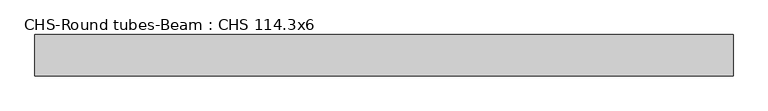
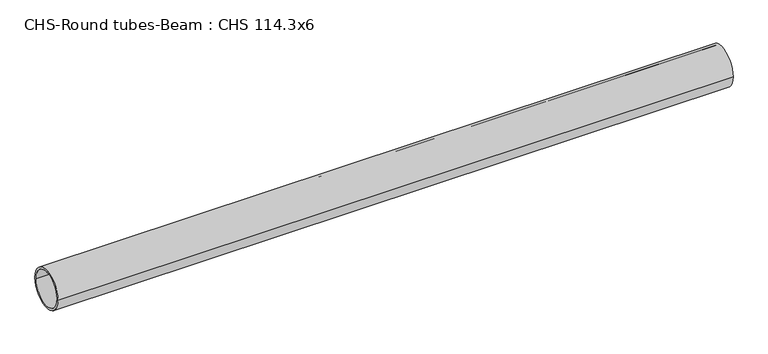
"""IFC4 building model written with IfcOpenShell, lengths in millimetres: beam geometry, CHS-Round tubes-Beam : CHS 114.3x6."""

import ifcopenshell
import ifcopenshell.guid

model = None  # the IFC model being written
_history = None  # IfcOwnerHistory: only IFC2X3 demands one
_inside = {}  # id of a spatial element -> (the spatial element, [elements in it])
_under = {}  # id of a project, library or spatial element -> (it, [spatial elements below it])
_declared = {}  # id of a project -> (the project, [libraries it declares])
_typed = {}  # id of a type object -> (the type object, [elements of that type])
_made_of = {}  # id of a material, layer set ... -> (it, [elements and type objects made of it])


def new_model(schema):
    """Start an empty IFC model of exactly this schema.

    Asked for "IFC4X3", IfcOpenShell would pick the latest addendum, in which some entities
    have other attributes; the version numbers below select the first issue.
    IFC2X3 requires an IfcOwnerHistory on every rooted entity: one is made here for all.
    """
    global model, _history
    if schema == "IFC4X3":
        model = ifcopenshell.file(schema_version=(4, 3, 0, 0))
    else:
        model = ifcopenshell.file(schema=schema)
    _inside.clear()
    _under.clear()
    _declared.clear()
    _typed.clear()
    _made_of.clear()
    _history = None
    if model.schema == "IFC2X3":
        org = make("IfcOrganization", Name="unknown")
        user = make(
            "IfcPersonAndOrganization",
            ThePerson=make("IfcPerson", FamilyName="unknown"),
            TheOrganization=org,
        )
        app = make(
            "IfcApplication",
            ApplicationDeveloper=org,
            Version="unknown",
            ApplicationFullName="unknown",
            ApplicationIdentifier="unknown",
        )
        _history = make(
            "IfcOwnerHistory",
            OwningUser=user,
            OwningApplication=app,
            ChangeAction="ADDED",
            CreationDate=0,
        )
    return model


def make(cls, **values):
    """One entity of the class cls with the attributes given. An attribute that is None is left unset."""
    return model.create_entity(
        cls, **{name: value for name, value in values.items() if value is not None}
    )


def rooted(cls, **values):
    """An entity with a GlobalId (a new one), such as an element, a storey or a relation."""
    return make(cls, GlobalId=ifcopenshell.guid.new(), OwnerHistory=_history, **values)


def si_unit(unit_type, name, prefix=None):
    """IfcSIUnit, for example si_unit("LENGTHUNIT", "METRE", prefix="MILLI")."""
    return make("IfcSIUnit", UnitType=unit_type, Prefix=prefix, Name=name)


def assignment(units):
    """IfcUnitAssignment: the units of a project."""
    return None if units is None else make("IfcUnitAssignment", Units=units)


def point(xyz):
    """IfcCartesianPoint."""
    return None if xyz is None else make("IfcCartesianPoint", Coordinates=xyz)


def direction(xyz):
    """IfcDirection."""
    return None if xyz is None else make("IfcDirection", DirectionRatios=xyz)


def frame(location, z_axis=None, x_axis=None):
    """IfcAxis2Placement3D, a coordinate frame: its origin and axes. An axis left out is left unset."""
    return make(
        "IfcAxis2Placement3D",
        Location=point(location),
        Axis=direction(z_axis),
        RefDirection=direction(x_axis),
    )


def frame_2d(location, x_axis=None):
    """IfcAxis2Placement2D, a coordinate frame in the plane: its origin and x axis."""
    return make(
        "IfcAxis2Placement2D", Location=point(location), RefDirection=direction(x_axis)
    )


def origin():
    """The frame at (0, 0, 0) with its axes left unset."""
    return frame((0.0, 0.0, 0.0))


def origin_2d():
    """The frame at (0, 0) in the plane with its x axis left unset."""
    return frame_2d((0.0, 0.0))


def place(relative_to, where):
    """IfcLocalPlacement: puts the frame where relative to a parent placement (None: the world)."""
    return make(
        "IfcLocalPlacement", PlacementRelTo=relative_to, RelativePlacement=where
    )


def context(
    kind, dimensions, precision=None, world=None, true_north=None, identifier=None
):
    """IfcGeometricRepresentationContext, for example the 3D "Model" context."""
    return make(
        "IfcGeometricRepresentationContext",
        ContextIdentifier=identifier,
        ContextType=kind,
        CoordinateSpaceDimension=dimensions,
        Precision=precision,
        WorldCoordinateSystem=world,
        TrueNorth=true_north,
    )


def project(units=None, contexts=None):
    """IfcProject with its units and contexts."""
    return rooted(
        "IfcProject",
        Name="project",
        RepresentationContexts=contexts,
        UnitsInContext=assignment(units),
    )


def spatial(cls, under=None, at=None, **own):
    """A site, building, storey or space (cls), placed at a placement, below another one or the project."""
    s = rooted(cls, ObjectPlacement=at, **own)
    if under is not None:
        _under.setdefault(under.id(), (under, []))[1].append(s)
    return s


def circle_curve(where, radius):
    """IfcCircle in the frame where."""
    return make("IfcCircle", Position=where, Radius=radius)


def trimmed(basis, trim1, trim2, sense, master):
    """IfcTrimmedCurve: the piece of a basis curve between two trims."""
    return make(
        "IfcTrimmedCurve",
        BasisCurve=basis,
        Trim1=trim1,
        Trim2=trim2,
        SenseAgreement=sense,
        MasterRepresentation=master,
    )


def segment(curve, same_sense, transition):
    """IfcCompositeCurveSegment."""
    return make(
        "IfcCompositeCurveSegment",
        Transition=transition,
        SameSense=same_sense,
        ParentCurve=curve,
    )


def composite_curve(segments, self_intersect=None):
    """IfcCompositeCurve: segments joined end to end."""
    return make("IfcCompositeCurve", Segments=segments, SelfIntersect=self_intersect)


def outline(outer, holes=None, kind="AREA"):
    """IfcArbitraryClosedProfileDef: a profile drawn as a closed curve; with holes, ...WithVoids."""
    if holes is None:
        return make("IfcArbitraryClosedProfileDef", ProfileType=kind, OuterCurve=outer)
    return make(
        "IfcArbitraryProfileDefWithVoids",
        ProfileType=kind,
        OuterCurve=outer,
        InnerCurves=holes,
    )


def extrude(swept, where, along, depth):
    """IfcExtrudedAreaSolid: the profile swept, set in the frame where, extruded along a direction by depth."""
    return make(
        "IfcExtrudedAreaSolid",
        SweptArea=swept,
        Position=where,
        ExtrudedDirection=direction(along),
        Depth=depth,
    )


def shape(context_of_items, identifier, shape_type, items):
    """IfcShapeRepresentation: the items that make up one representation, for example the "Body"."""
    return make(
        "IfcShapeRepresentation",
        ContextOfItems=context_of_items,
        RepresentationIdentifier=identifier,
        RepresentationType=shape_type,
        Items=items,
    )


def source(mapping_origin, context_of_items, identifier, shape_type, items):
    """IfcRepresentationMap: a shape defined once, which mapped items show again and again."""
    return make(
        "IfcRepresentationMap",
        MappingOrigin=mapping_origin,
        MappedRepresentation=shape(context_of_items, identifier, shape_type, items),
    )


def transform(
    local_origin,
    x_axis=None,
    y_axis=None,
    z_axis=None,
    scale=None,
    scale2=None,
    scale3=None,
    uniform=True,
):
    """IfcCartesianTransformationOperator3D, or its non-uniform kind. x_axis, y_axis, z_axis: its Axis1, 2, 3."""
    if uniform:
        return make(
            "IfcCartesianTransformationOperator3D",
            Axis1=direction(x_axis),
            Axis2=direction(y_axis),
            LocalOrigin=point(local_origin),
            Scale=scale,
            Axis3=direction(z_axis),
        )
    return make(
        "IfcCartesianTransformationOperator3DnonUniform",
        Axis1=direction(x_axis),
        Axis2=direction(y_axis),
        LocalOrigin=point(local_origin),
        Scale=scale,
        Axis3=direction(z_axis),
        Scale2=scale2,
        Scale3=scale3,
    )


def mapped(mapping_source, mapping_target):
    """IfcMappedItem: shows the shape of a source again, moved by a transform."""
    return make(
        "IfcMappedItem", MappingSource=mapping_source, MappingTarget=mapping_target
    )


def made_of(thing, what):
    """Note that an element or type object is made of a material, layer set ...; save() writes the relation."""
    if what is not None:
        _made_of.setdefault(what.id(), (what, []))[1].append(thing)
    return thing


def element(
    cls,
    number,
    at=None,
    inside=None,
    cuts=None,
    type_object=None,
    material=None,
    context=None,
    identifier="Body",
    shape_type=None,
    held_by="IfcProductDefinitionShape",
    body=None,
    shapes=None,
    **own,
):
    """One element of the class cls, such as IfcWall. Its Tag is "e" and its number.

    at: its placement. inside: the storey or other place that contains it. cuts: it is an
    opening in that element (IfcRelVoidsElement). A single representation is given by context,
    identifier, shape_type and body (its items); several are given by shapes. held_by: the class
    of the entity that holds the representations. save() writes the other relations.
    """
    e = rooted(cls, Tag="e%d" % number, ObjectPlacement=at, **own)
    if body is not None:
        shapes = [shape(context, identifier, shape_type, body)]
    if shapes is not None:
        e.Representation = make(held_by, Representations=shapes)
    if inside is not None:
        _inside.setdefault(inside.id(), (inside, []))[1].append(e)
    if cuts is not None:
        rooted(
            "IfcRelVoidsElement", RelatingBuildingElement=cuts, RelatedOpeningElement=e
        )
    if type_object is not None:
        _typed.setdefault(type_object.id(), (type_object, []))[1].append(e)
    return made_of(e, material)


def aggregate(whole, parts):
    """IfcRelAggregates: a whole, such as a stair, and the parts it consists of."""
    return rooted("IfcRelAggregates", RelatingObject=whole, RelatedObjects=parts)


def save(model, path):
    """Write the relations noted so far, then the file.

    IfcRelAggregates (storeys below a building ...), IfcRelContainedInSpatialStructure (elements
    in a storey), IfcRelDefinesByType, IfcRelAssociatesMaterial and IfcRelDeclares: one each for
    every whole, place, type object, material and project.
    """
    for whole, parts in _under.values():
        aggregate(whole, parts)
    for where, things in _inside.values():
        rooted(
            "IfcRelContainedInSpatialStructure",
            RelatedElements=things,
            RelatingStructure=where,
        )
    for kind, things in _typed.values():
        rooted("IfcRelDefinesByType", RelatedObjects=things, RelatingType=kind)
    for what, things in _made_of.values():
        rooted("IfcRelAssociatesMaterial", RelatedObjects=things, RelatingMaterial=what)
    for by, libraries in _declared.values():
        rooted("IfcRelDeclares", RelatingContext=by, RelatedDefinitions=libraries)
    model.write(path)


def chs_round_tubes_beam_chs_114_3x6_1551dd0f(model_context):
    return source(origin(), model_context, "Body", "SweptSolid", [
        extrude(outline(composite_curve([segment(trimmed(circle_curve(origin_2d(), 57.15), [point((57.15, 0.0))], [point((-57.15, 0.0))], False, "CARTESIAN"), True, "CONTINUOUS"), segment(trimmed(circle_curve(origin_2d(), 57.15), [point((-57.15, 0.0))], [point((57.15, 0.0))], False, "CARTESIAN"), True, "CONTINUOUS")], self_intersect=False), holes=[composite_curve([segment(trimmed(circle_curve(origin_2d(), 51.15), [point((51.15, 0.0))], [point((-51.15, 0.0))], True, "CARTESIAN"), True, "CONTINUOUS"), segment(trimmed(circle_curve(origin_2d(), 51.15), [point((-51.15, 0.0))], [point((51.15, 0.0))], True, "CARTESIAN"), True, "CONTINUOUS")], self_intersect=False)]), frame((-973.1677066, 0.0, 0.0), z_axis=(1.0, 0.0, 0.0), x_axis=(0.0, 1.0, 0.0)), (0.0, 0.0, 1.0), 1936.8364419),
    ])


if __name__ == "__main__":
    model = new_model("IFC4")
    model_context = context("Model", 3, world=origin())
    ifc_project = project(units=[si_unit("LENGTHUNIT", "METRE", prefix="MILLI")], contexts=[model_context])
    site = spatial("IfcSite", under=ifc_project)
    building = spatial("IfcBuilding", under=site)
    placement = place(None, origin())
    chs_round_tubes_beam_chs_114_3x6_shape = chs_round_tubes_beam_chs_114_3x6_1551dd0f(model_context)
    element("IfcBeam", 1, ObjectType="CHS-Round tubes-Beam : CHS 114.3x6", at=placement, inside=building, context=model_context, shape_type="MappedRepresentation", body=[
        mapped(chs_round_tubes_beam_chs_114_3x6_shape, transform((0.0, 0.0, 0.0), x_axis=(1.0, 0.0, 0.0), y_axis=(0.0, 1.0, 0.0), z_axis=(0.0, 0.0, 1.0))),
    ])
    save(model, "model.ifc")
